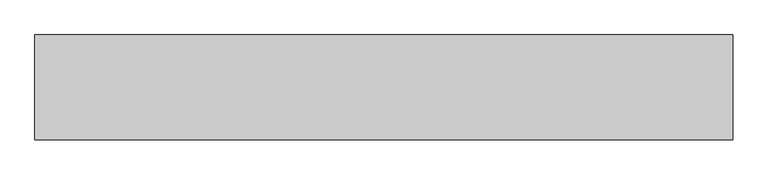
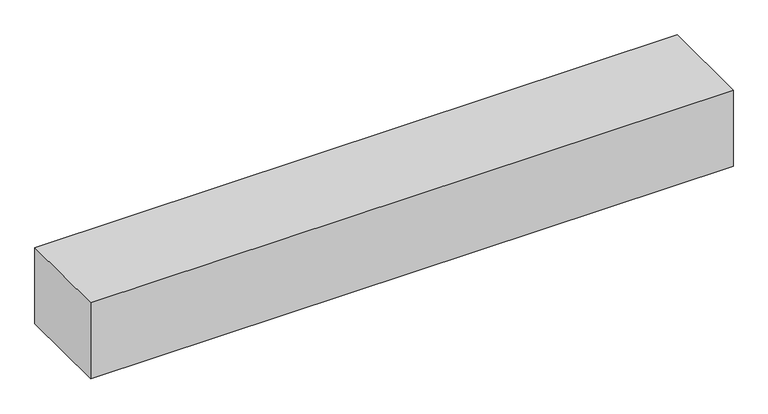
"""IFC4 building model written with IfcOpenShell, lengths in millimetres: beam geometry."""

from ifc_helpers import new_model, si_unit, origin, origin_with_axes, place, context, project, spatial, polyline, outline, extrude, source, transform, mapped, element, save


def beam_7ee7b886(model_context):
    return source(origin(), model_context, "Body", "SweptSolid", [
        extrude(outline(polyline([(1000.0, 150.0), (1000.0, -150.0), (-1000.0, -150.0), (-1000.0, 150.0), (1000.0, 150.0)])), origin_with_axes(), (0.0, 0.0, 1.0), 250.0),
    ])


if __name__ == "__main__":
    model = new_model("IFC4")
    model_context = context("Model", 3, world=origin())
    ifc_project = project(units=[si_unit("LENGTHUNIT", "METRE", prefix="MILLI")], contexts=[model_context])
    site = spatial("IfcSite", under=ifc_project)
    building = spatial("IfcBuilding", under=site)
    placement = place(None, origin())
    beam_shape = beam_7ee7b886(model_context)
    element("IfcBeam", 1, at=placement, inside=building, context=model_context, shape_type="MappedRepresentation", body=[
        mapped(beam_shape, transform((0.0, 0.0, 0.0), x_axis=(1.0, 0.0, 0.0), y_axis=(0.0, 1.0, 0.0), z_axis=(0.0, 0.0, 1.0))),
    ])
    save(model, "model.ifc")
